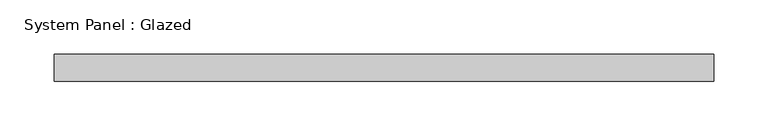
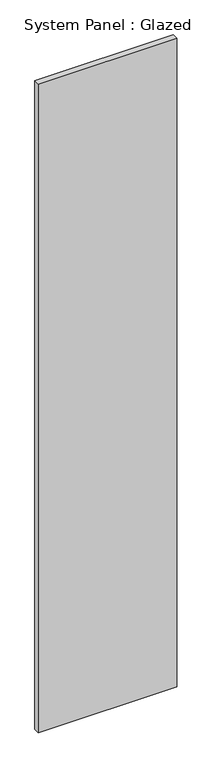
"""IFC4 building model written with IfcOpenShell, lengths in millimetres: plate geometry, System Panel : Glazed."""

from ifc_helpers import new_model, si_unit, origin, origin_with_axes, place, context, project, spatial, polyline, outline, extrude, source, transform, mapped, element, save


def system_panel_glazed_ecc8301c(model_context):
    return source(origin(), model_context, "Body", "SweptSolid", [
        extrude(outline(polyline([(304.8, 24.5), (-304.8, 24.5), (-304.8, 49.5), (304.8, 49.5), (304.8, 24.5)])), origin_with_axes(), (0.0, 0.0, 1.0), 3018.3328001),
    ])


if __name__ == "__main__":
    model = new_model("IFC4")
    model_context = context("Model", 3, world=origin())
    ifc_project = project(units=[si_unit("LENGTHUNIT", "METRE", prefix="MILLI")], contexts=[model_context])
    site = spatial("IfcSite", under=ifc_project)
    building = spatial("IfcBuilding", under=site)
    placement = place(None, origin())
    system_panel_glazed_shape = system_panel_glazed_ecc8301c(model_context)
    element("IfcPlate", 1, ObjectType="System Panel : Glazed", at=placement, inside=building, context=model_context, shape_type="MappedRepresentation", body=[
        mapped(system_panel_glazed_shape, transform((0.0, 0.0, 0.0), x_axis=(1.0, 0.0, 0.0), y_axis=(0.0, 1.0, 0.0), z_axis=(0.0, 0.0, 1.0))),
    ])
    save(model, "model.ifc")
